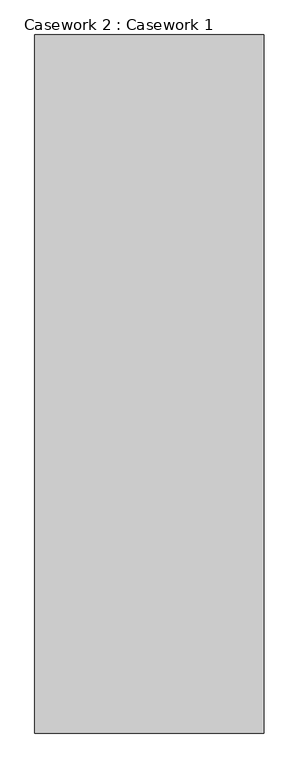
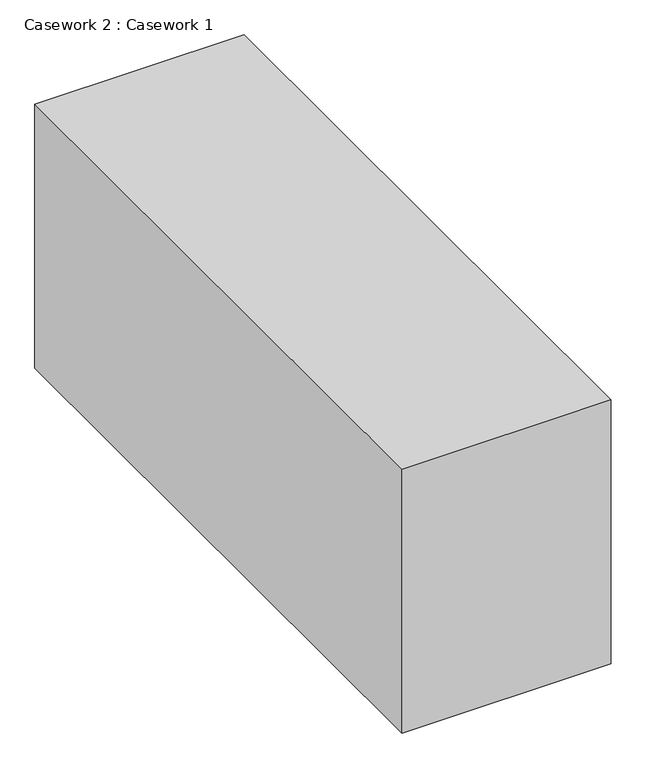
"""IFC4 building model written with IfcOpenShell, lengths in millimetres: furniture geometry, Casework 2 : Casework 1."""

from ifc_helpers import new_model, si_unit, frame, origin, place, context, project, spatial, polyline, outline, extrude, source, transform, mapped, element, save


def casework_2_casework_1_3fa5ff46(model_context):
    return source(origin(), model_context, "Body", "SweptSolid", [
        extrude(outline(polyline([(94952.9696444, -27034.6998034), (94952.9696444, -25210.835481), (95552.7769414, -25210.835481), (95552.7769414, -27034.6998034), (94952.9696444, -27034.6998034)])), frame((0.0, 0.0, 68000.0), z_axis=(0.0, 0.0, 1.0), x_axis=(1.0, 0.0, 0.0)), (0.0, 0.0, 1.0), 800.0),
    ])


if __name__ == "__main__":
    model = new_model("IFC4")
    model_context = context("Model", 3, world=origin())
    ifc_project = project(units=[si_unit("LENGTHUNIT", "METRE", prefix="MILLI")], contexts=[model_context])
    site = spatial("IfcSite", under=ifc_project)
    building = spatial("IfcBuilding", under=site)
    placement = place(None, origin())
    casework_2_casework_1_shape = casework_2_casework_1_3fa5ff46(model_context)
    element("IfcFurniture", 1, ObjectType="Casework 2 : Casework 1", at=placement, inside=building, context=model_context, shape_type="MappedRepresentation", body=[
        mapped(casework_2_casework_1_shape, transform((0.0, 0.0, 0.0), x_axis=(1.0, 0.0, 0.0), y_axis=(0.0, 1.0, 0.0), z_axis=(0.0, 0.0, 1.0))),
    ])
    save(model, "model.ifc")
